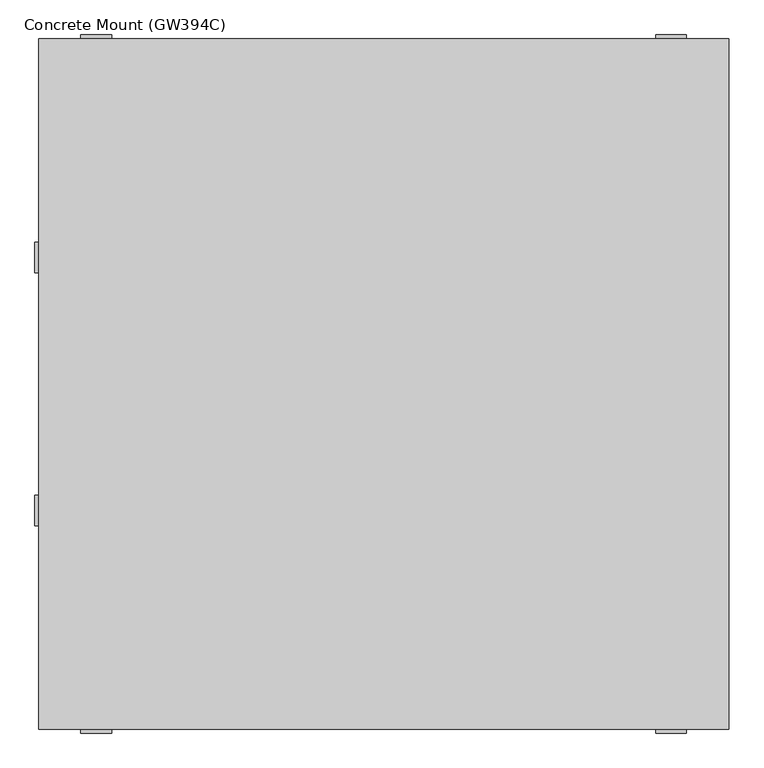
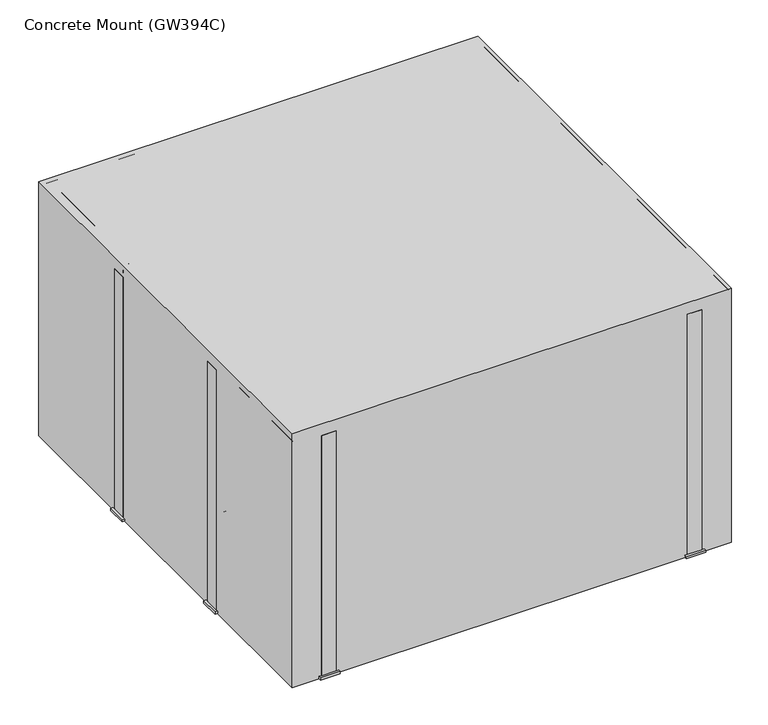
"""IFC4 building model written with IfcOpenShell, lengths in millimetres: railing geometry, Concrete Mount (GW394C)."""

import ifcopenshell
import ifcopenshell.guid

model = None  # the IFC model being written
_history = None  # IfcOwnerHistory: only IFC2X3 demands one
_inside = {}  # id of a spatial element -> (the spatial element, [elements in it])
_under = {}  # id of a project, library or spatial element -> (it, [spatial elements below it])
_declared = {}  # id of a project -> (the project, [libraries it declares])
_typed = {}  # id of a type object -> (the type object, [elements of that type])
_made_of = {}  # id of a material, layer set ... -> (it, [elements and type objects made of it])


def new_model(schema):
    """Start an empty IFC model of exactly this schema.

    Asked for "IFC4X3", IfcOpenShell would pick the latest addendum, in which some entities
    have other attributes; the version numbers below select the first issue.
    IFC2X3 requires an IfcOwnerHistory on every rooted entity: one is made here for all.
    """
    global model, _history
    if schema == "IFC4X3":
        model = ifcopenshell.file(schema_version=(4, 3, 0, 0))
    else:
        model = ifcopenshell.file(schema=schema)
    _inside.clear()
    _under.clear()
    _declared.clear()
    _typed.clear()
    _made_of.clear()
    _history = None
    if model.schema == "IFC2X3":
        org = make("IfcOrganization", Name="unknown")
        user = make(
            "IfcPersonAndOrganization",
            ThePerson=make("IfcPerson", FamilyName="unknown"),
            TheOrganization=org,
        )
        app = make(
            "IfcApplication",
            ApplicationDeveloper=org,
            Version="unknown",
            ApplicationFullName="unknown",
            ApplicationIdentifier="unknown",
        )
        _history = make(
            "IfcOwnerHistory",
            OwningUser=user,
            OwningApplication=app,
            ChangeAction="ADDED",
            CreationDate=0,
        )
    return model


def make(cls, **values):
    """One entity of the class cls with the attributes given. An attribute that is None is left unset."""
    return model.create_entity(
        cls, **{name: value for name, value in values.items() if value is not None}
    )


def rooted(cls, **values):
    """An entity with a GlobalId (a new one), such as an element, a storey or a relation."""
    return make(cls, GlobalId=ifcopenshell.guid.new(), OwnerHistory=_history, **values)


def si_unit(unit_type, name, prefix=None):
    """IfcSIUnit, for example si_unit("LENGTHUNIT", "METRE", prefix="MILLI")."""
    return make("IfcSIUnit", UnitType=unit_type, Prefix=prefix, Name=name)


def assignment(units):
    """IfcUnitAssignment: the units of a project."""
    return None if units is None else make("IfcUnitAssignment", Units=units)


def point(xyz):
    """IfcCartesianPoint."""
    return None if xyz is None else make("IfcCartesianPoint", Coordinates=xyz)


def direction(xyz):
    """IfcDirection."""
    return None if xyz is None else make("IfcDirection", DirectionRatios=xyz)


def frame(location, z_axis=None, x_axis=None):
    """IfcAxis2Placement3D, a coordinate frame: its origin and axes. An axis left out is left unset."""
    return make(
        "IfcAxis2Placement3D",
        Location=point(location),
        Axis=direction(z_axis),
        RefDirection=direction(x_axis),
    )


def origin():
    """The frame at (0, 0, 0) with its axes left unset."""
    return frame((0.0, 0.0, 0.0))


def origin_with_axes():
    """The frame at (0, 0, 0) with the z axis (0, 0, 1) and the x axis (1, 0, 0) written out."""
    return frame((0.0, 0.0, 0.0), z_axis=(0.0, 0.0, 1.0), x_axis=(1.0, 0.0, 0.0))


def place(relative_to, where):
    """IfcLocalPlacement: puts the frame where relative to a parent placement (None: the world)."""
    return make(
        "IfcLocalPlacement", PlacementRelTo=relative_to, RelativePlacement=where
    )


def context(
    kind, dimensions, precision=None, world=None, true_north=None, identifier=None
):
    """IfcGeometricRepresentationContext, for example the 3D "Model" context."""
    return make(
        "IfcGeometricRepresentationContext",
        ContextIdentifier=identifier,
        ContextType=kind,
        CoordinateSpaceDimension=dimensions,
        Precision=precision,
        WorldCoordinateSystem=world,
        TrueNorth=true_north,
    )


def project(units=None, contexts=None):
    """IfcProject with its units and contexts."""
    return rooted(
        "IfcProject",
        Name="project",
        RepresentationContexts=contexts,
        UnitsInContext=assignment(units),
    )


def spatial(cls, under=None, at=None, **own):
    """A site, building, storey or space (cls), placed at a placement, below another one or the project."""
    s = rooted(cls, ObjectPlacement=at, **own)
    if under is not None:
        _under.setdefault(under.id(), (under, []))[1].append(s)
    return s


def polyline(points):
    """IfcPolyline through the points."""
    return make("IfcPolyline", Points=[point(p) for p in points])


def circle_curve(where, radius):
    """IfcCircle in the frame where."""
    return make("IfcCircle", Position=where, Radius=radius)


def ellipse_curve(where, semi_axis1, semi_axis2):
    """IfcEllipse in the frame where."""
    return make(
        "IfcEllipse", Position=where, SemiAxis1=semi_axis1, SemiAxis2=semi_axis2
    )


def trimmed(basis, trim1, trim2, sense, master):
    """IfcTrimmedCurve: the piece of a basis curve between two trims."""
    return make(
        "IfcTrimmedCurve",
        BasisCurve=basis,
        Trim1=trim1,
        Trim2=trim2,
        SenseAgreement=sense,
        MasterRepresentation=master,
    )


def outline(outer, holes=None, kind="AREA"):
    """IfcArbitraryClosedProfileDef: a profile drawn as a closed curve; with holes, ...WithVoids."""
    if holes is None:
        return make("IfcArbitraryClosedProfileDef", ProfileType=kind, OuterCurve=outer)
    return make(
        "IfcArbitraryProfileDefWithVoids",
        ProfileType=kind,
        OuterCurve=outer,
        InnerCurves=holes,
    )


def extrude(swept, where, along, depth):
    """IfcExtrudedAreaSolid: the profile swept, set in the frame where, extruded along a direction by depth."""
    return make(
        "IfcExtrudedAreaSolid",
        SweptArea=swept,
        Position=where,
        ExtrudedDirection=direction(along),
        Depth=depth,
    )


def shape(context_of_items, identifier, shape_type, items):
    """IfcShapeRepresentation: the items that make up one representation, for example the "Body"."""
    return make(
        "IfcShapeRepresentation",
        ContextOfItems=context_of_items,
        RepresentationIdentifier=identifier,
        RepresentationType=shape_type,
        Items=items,
    )


def source(mapping_origin, context_of_items, identifier, shape_type, items):
    """IfcRepresentationMap: a shape defined once, which mapped items show again and again."""
    return make(
        "IfcRepresentationMap",
        MappingOrigin=mapping_origin,
        MappedRepresentation=shape(context_of_items, identifier, shape_type, items),
    )


def transform(
    local_origin,
    x_axis=None,
    y_axis=None,
    z_axis=None,
    scale=None,
    scale2=None,
    scale3=None,
    uniform=True,
):
    """IfcCartesianTransformationOperator3D, or its non-uniform kind. x_axis, y_axis, z_axis: its Axis1, 2, 3."""
    if uniform:
        return make(
            "IfcCartesianTransformationOperator3D",
            Axis1=direction(x_axis),
            Axis2=direction(y_axis),
            LocalOrigin=point(local_origin),
            Scale=scale,
            Axis3=direction(z_axis),
        )
    return make(
        "IfcCartesianTransformationOperator3DnonUniform",
        Axis1=direction(x_axis),
        Axis2=direction(y_axis),
        LocalOrigin=point(local_origin),
        Scale=scale,
        Axis3=direction(z_axis),
        Scale2=scale2,
        Scale3=scale3,
    )


def mapped(mapping_source, mapping_target):
    """IfcMappedItem: shows the shape of a source again, moved by a transform."""
    return make(
        "IfcMappedItem", MappingSource=mapping_source, MappingTarget=mapping_target
    )


def made_of(thing, what):
    """Note that an element or type object is made of a material, layer set ...; save() writes the relation."""
    if what is not None:
        _made_of.setdefault(what.id(), (what, []))[1].append(thing)
    return thing


def element(
    cls,
    number,
    at=None,
    inside=None,
    cuts=None,
    type_object=None,
    material=None,
    context=None,
    identifier="Body",
    shape_type=None,
    held_by="IfcProductDefinitionShape",
    body=None,
    shapes=None,
    **own,
):
    """One element of the class cls, such as IfcWall. Its Tag is "e" and its number.

    at: its placement. inside: the storey or other place that contains it. cuts: it is an
    opening in that element (IfcRelVoidsElement). A single representation is given by context,
    identifier, shape_type and body (its items); several are given by shapes. held_by: the class
    of the entity that holds the representations. save() writes the other relations.
    """
    e = rooted(cls, Tag="e%d" % number, ObjectPlacement=at, **own)
    if body is not None:
        shapes = [shape(context, identifier, shape_type, body)]
    if shapes is not None:
        e.Representation = make(held_by, Representations=shapes)
    if inside is not None:
        _inside.setdefault(inside.id(), (inside, []))[1].append(e)
    if cuts is not None:
        rooted(
            "IfcRelVoidsElement", RelatingBuildingElement=cuts, RelatedOpeningElement=e
        )
    if type_object is not None:
        _typed.setdefault(type_object.id(), (type_object, []))[1].append(e)
    return made_of(e, material)


def aggregate(whole, parts):
    """IfcRelAggregates: a whole, such as a stair, and the parts it consists of."""
    return rooted("IfcRelAggregates", RelatingObject=whole, RelatedObjects=parts)


def save(model, path):
    """Write the relations noted so far, then the file.

    IfcRelAggregates (storeys below a building ...), IfcRelContainedInSpatialStructure (elements
    in a storey), IfcRelDefinesByType, IfcRelAssociatesMaterial and IfcRelDeclares: one each for
    every whole, place, type object, material and project.
    """
    for whole, parts in _under.values():
        aggregate(whole, parts)
    for where, things in _inside.values():
        rooted(
            "IfcRelContainedInSpatialStructure",
            RelatedElements=things,
            RelatingStructure=where,
        )
    for kind, things in _typed.values():
        rooted("IfcRelDefinesByType", RelatedObjects=things, RelatingType=kind)
    for what, things in _made_of.values():
        rooted("IfcRelAssociatesMaterial", RelatedObjects=things, RelatingMaterial=what)
    for by, libraries in _declared.values():
        rooted("IfcRelDeclares", RelatingContext=by, RelatedDefinitions=libraries)
    model.write(path)


def plane_surface(at):
    """IfcPlane: the flat surface through the origin of the frame at, square to its z axis."""
    return make("IfcPlane", Position=at)


def cylinder_surface(at, radius):
    """IfcCylindricalSurface: all points at the distance radius from the z axis of the frame at."""
    return make("IfcCylindricalSurface", Position=at, Radius=radius)


def revolved_surface(curve, axis_point, axis_direction):
    """IfcSurfaceOfRevolution: the curve turned about the line through axis_point along axis_direction."""
    return make(
        "IfcSurfaceOfRevolution",
        SweptCurve=make("IfcArbitraryOpenProfileDef", ProfileType="CURVE", Curve=curve),
        AxisPosition=make("IfcAxis1Placement", Location=point(axis_point), Axis=direction(axis_direction)),
    )


def advanced_brep(points, edges, surfaces, faces):
    """IfcAdvancedBrep: a solid bounded by faces that lie on surfaces and meet in shared edges.

    An edge is (start, end): straight between two places in points (the first is 0);
    or (start, end, curve); or (start, end, curve, False) where it runs against its curve.
    A face is (place in surfaces, loops), or (place, loops, False) where it looks against
    its surface's normal. A loop lists edges by number (the first is 1), with a minus sign
    where the edge is run from its end to its start. The first loop is the outer one.
    """
    corners = [point(p) for p in points]
    vertices = [make("IfcVertexPoint", VertexGeometry=c) for c in corners]
    made = []
    for start, end, *more in edges:
        made.append(
            make(
                "IfcEdgeCurve",
                EdgeStart=vertices[start],
                EdgeEnd=vertices[end],
                EdgeGeometry=more[0] if more else make("IfcPolyline", Points=[corners[start], corners[end]]),
                SameSense=more[1] if len(more) > 1 else True,
            )
        )
    hull = []
    for where, loops, *sense in faces:
        bounds = []
        for j, loop in enumerate(loops):
            ring = [make("IfcOrientedEdge", EdgeElement=made[abs(k) - 1], Orientation=k > 0) for k in loop]
            bounds.append(
                make(
                    "IfcFaceOuterBound" if j == 0 else "IfcFaceBound",
                    Bound=make("IfcEdgeLoop", EdgeList=ring),
                    Orientation=True,
                )
            )
        hull.append(make("IfcAdvancedFace", Bounds=bounds, FaceSurface=surfaces[where], SameSense=sense[0] if sense else True))
    return make("IfcAdvancedBrep", Outer=make("IfcClosedShell", CfsFaces=hull))


def concrete_mount_gw394c_ce3642ec(model_context):
    return source(origin(), model_context, "Body", "SolidModel", [
        extrude(outline(polyline([(270.0, -1650.0), (350.0, -1650.0), (350.0, -1710.0), (270.0, -1710.0), (270.0, -1650.0)]), holes=[polyline([(280.0, -1660.0), (280.0, -1700.0), (340.0, -1700.0), (340.0, -1660.0), (280.0, -1660.0)])]), origin_with_axes(), (0.0, 0.0, 1.0), 10.0),
        extrude(outline(polyline([(280.0, -1660.0), (340.0, -1660.0), (340.0, -1700.0), (280.0, -1700.0), (280.0, -1660.0)])), origin_with_axes(), (0.0, 0.0, 1.0), 1050.0),
        extrude(outline(polyline([(-1150.0, -1650.0), (-1150.0, -1710.0), (-1230.0, -1710.0), (-1230.0, -1650.0), (-1150.0, -1650.0)]), holes=[polyline([(-1160.0, -1660.0), (-1220.0, -1660.0), (-1220.0, -1700.0), (-1160.0, -1700.0), (-1160.0, -1660.0)])]), origin_with_axes(), (0.0, 0.0, 1.0), 10.0),
        extrude(outline(polyline([(-1160.0, -1660.0), (-1160.0, -1700.0), (-1220.0, -1700.0), (-1220.0, -1660.0), (-1160.0, -1660.0)])), origin_with_axes(), (0.0, 0.0, 1.0), 1050.0),
        extrude(outline(polyline([(270.0, 50.0), (270.0, 110.0), (350.0, 110.0), (350.0, 50.0), (270.0, 50.0)]), holes=[polyline([(280.0, 60.0), (340.0, 60.0), (340.0, 100.0), (280.0, 100.0), (280.0, 60.0)])]), origin_with_axes(), (0.0, 0.0, 1.0), 10.0),
        extrude(outline(polyline([(280.0, 60.0), (280.0, 100.0), (340.0, 100.0), (340.0, 60.0), (280.0, 60.0)])), origin_with_axes(), (0.0, 0.0, 1.0), 1050.0),
        extrude(outline(polyline([(-1150.0, 50.0), (-1230.0, 50.0), (-1230.0, 110.0), (-1150.0, 110.0), (-1150.0, 50.0)]), holes=[polyline([(-1160.0, 60.0), (-1160.0, 100.0), (-1220.0, 100.0), (-1220.0, 60.0), (-1160.0, 60.0)])]), origin_with_axes(), (0.0, 0.0, 1.0), 10.0),
        extrude(outline(polyline([(-1160.0, 60.0), (-1220.0, 60.0), (-1220.0, 100.0), (-1160.0, 100.0), (-1160.0, 60.0)])), origin_with_axes(), (0.0, 0.0, 1.0), 1050.0),
        advanced_brep(
        [(-1300.0, -470.0, 905.0), (-1300.0, -470.0, 955.0), (-1250.0, -470.0, 955.0), (-1250.0, -470.0, 905.0), (-1150.0, -470.0, 855.0), (-1200.0, -470.0, 855.0), (-1150.0, -470.0, 505.0), (-1200.0, -470.0, 505.0), (-1250.0, -470.0, 405.0), (-1250.0, -470.0, 455.0), (-1300.0, -470.0, 455.0), (-1300.0, -470.0, 405.0)],
        [
            (0, 1, circle_curve(frame((-1300.0, -470.0, 930.0), z_axis=(-1.0, 0.0, 0.0), x_axis=(0.0, 0.0, 1.0)), 25.0)),
            (1, 0, circle_curve(frame((-1300.0, -470.0, 930.0), z_axis=(-1.0, 0.0, 0.0), x_axis=(0.0, 0.0, 1.0)), 25.0)),
            (1, 2),
            (2, 3, circle_curve(frame((-1250.0, -470.0, 930.0), z_axis=(-1.0, 0.0, 0.0), x_axis=(0.0, 0.0, 1.0)), 25.0)),
            (3, 0),
            (3, 2, circle_curve(frame((-1250.0, -470.0, 930.0), z_axis=(-1.0, 0.0, 0.0), x_axis=(0.0, 0.0, 1.0)), 25.0)),
            (4, 5, circle_curve(frame((-1175.0, -470.0, 855.0), z_axis=(0.0, 0.0, 1.0), x_axis=(1.0, 0.0, 0.0)), 25.0)),
            (5, 3, circle_curve(frame((-1250.0, -470.0, 855.0), z_axis=(0.0, -1.0, 0.0), x_axis=(0.0, 0.0, 1.0)), 50.0)),
            (2, 4, circle_curve(frame((-1250.0, -470.0, 855.0), z_axis=(0.0, 1.0, 0.0), x_axis=(0.0, 0.0, 1.0)), 100.0)),
            (5, 4, circle_curve(frame((-1175.0, -470.0, 855.0), z_axis=(0.0, 0.0, 1.0), x_axis=(1.0, 0.0, 0.0)), 25.0)),
            (4, 6),
            (6, 7, circle_curve(frame((-1175.0, -470.0, 505.0), z_axis=(0.0, 0.0, 1.0), x_axis=(1.0, 0.0, 0.0)), 25.0)),
            (7, 5),
            (7, 6, circle_curve(frame((-1175.0, -470.0, 505.0), z_axis=(0.0, 0.0, 1.0), x_axis=(1.0, 0.0, 0.0)), 25.0)),
            (8, 9, circle_curve(frame((-1250.0, -470.0, 430.0), z_axis=(1.0, 0.0, 0.0), x_axis=(0.0, 0.0, -1.0)), 25.0)),
            (9, 7, circle_curve(frame((-1250.0, -470.0, 505.0), z_axis=(0.0, -1.0, 0.0), x_axis=(1.0, 0.0, 0.0)), 50.0)),
            (6, 8, circle_curve(frame((-1250.0, -470.0, 505.0), z_axis=(0.0, 1.0, 0.0), x_axis=(1.0, 0.0, 0.0)), 100.0)),
            (9, 8, circle_curve(frame((-1250.0, -470.0, 430.0), z_axis=(1.0, 0.0, 0.0), x_axis=(0.0, 0.0, -1.0)), 25.0)),
            (10, 11, circle_curve(frame((-1300.0, -470.0, 430.0), z_axis=(-1.0, 0.0, 0.0), x_axis=(0.0, 0.0, -1.0)), 25.0)),
            (11, 10, circle_curve(frame((-1300.0, -470.0, 430.0), z_axis=(-1.0, 0.0, 0.0), x_axis=(0.0, 0.0, -1.0)), 25.0)),
            (8, 11),
            (10, 9),
        ],
        [
            plane_surface(frame((-1300.0, -470.0, 930.0), z_axis=(-1.0, 0.0, 0.0), x_axis=(0.0, 1.0, 0.0))),
            cylinder_surface(frame((-1300.0, -470.0, 930.0), z_axis=(-1.0, 0.0, 0.0), x_axis=(0.0, 0.0, 1.0)), 25.0),
            revolved_surface(trimmed(ellipse_curve(frame((-1250.0, -470.0, 930.0), z_axis=(1.0, 0.0, 0.0), x_axis=(0.0, 0.0, 1.0)), 25.0, 25.0), [point((-1250.0, -470.0, 905.0))], [point((-1250.0, -470.0, 955.0))], True, "CARTESIAN"), (-1250.0, -470.0, 855.0), (0.0, -1.0, 0.0)),
            revolved_surface(trimmed(ellipse_curve(frame((-1250.0, -470.0, 930.0), z_axis=(1.0, 0.0, 0.0), x_axis=(0.0, 0.0, 1.0)), 25.0, 25.0), [point((-1250.0, -470.0, 955.0))], [point((-1250.0, -470.0, 905.0))], True, "CARTESIAN"), (-1250.0, -470.0, 855.0), (0.0, -1.0, 0.0)),
            cylinder_surface(frame((-1175.0, -470.0, 855.0), z_axis=(0.0, 0.0, 1.0), x_axis=(1.0, 0.0, 0.0)), 25.0),
            revolved_surface(trimmed(ellipse_curve(frame((-1175.0, -470.0, 505.0), z_axis=(0.0, 0.0, -1.0), x_axis=(1.0, 0.0, 0.0)), 25.0, 25.0), [point((-1200.0, -470.0, 505.0))], [point((-1150.0, -470.0, 505.0))], True, "CARTESIAN"), (-1250.0, -470.0, 505.0), (0.0, -1.0, 0.0)),
            revolved_surface(trimmed(ellipse_curve(frame((-1175.0, -470.0, 505.0), z_axis=(0.0, 0.0, -1.0), x_axis=(1.0, 0.0, 0.0)), 25.0, 25.0), [point((-1150.0, -470.0, 505.0))], [point((-1200.0, -470.0, 505.0))], True, "CARTESIAN"), (-1250.0, -470.0, 505.0), (0.0, -1.0, 0.0)),
            plane_surface(frame((-1300.0, -470.0, 430.0), z_axis=(-1.0, 0.0, 0.0), x_axis=(0.0, 1.0, 0.0))),
            cylinder_surface(frame((-1250.0, -470.0, 430.0), z_axis=(1.0, 0.0, 0.0), x_axis=(0.0, 0.0, -1.0)), 25.0),
        ],
        [
            (0, [[1, 2]]),
            (1, [[3, 4, 5, -2]]),
            (1, [[-5, 6, -3, -1]]),
            (2, [[7, 8, -4, 9]]),
            (3, [[10, -9, -6, -8]]),
            (4, [[11, 12, 13, -7]]),
            (4, [[-13, 14, -11, -10]]),
            (5, [[15, 16, -12, 17]]),
            (6, [[18, -17, -14, -16]]),
            (7, [[19, 20]]),
            (8, [[21, -19, 22, -15]]),
            (8, [[-22, -20, -21, -18]]),
        ],
    ),
        extrude(outline(polyline([(-1290.0, -430.0), (-1290.0, -510.0), (-1350.0, -510.0), (-1350.0, -430.0), (-1290.0, -430.0)]), holes=[polyline([(-1300.0, -440.0), (-1340.0, -440.0), (-1340.0, -500.0), (-1300.0, -500.0), (-1300.0, -440.0)])]), origin_with_axes(), (0.0, 0.0, 1.0), 10.0),
        extrude(outline(polyline([(-1300.0, -440.0), (-1300.0, -500.0), (-1340.0, -500.0), (-1340.0, -440.0), (-1300.0, -440.0)])), origin_with_axes(), (0.0, 0.0, 1.0), 1050.0),
        advanced_brep(
        [(-1300.0, -1130.0, 905.0), (-1300.0, -1130.0, 955.0), (-1250.0, -1130.0, 905.0), (-1250.0, -1130.0, 955.0), (-1150.0, -1130.0, 855.0), (-1200.0, -1130.0, 855.0), (-1200.0, -1130.0, 505.0), (-1150.0, -1130.0, 505.0), (-1250.0, -1130.0, 405.0), (-1250.0, -1130.0, 455.0), (-1300.0, -1130.0, 455.0), (-1300.0, -1130.0, 405.0)],
        [
            (0, 1, circle_curve(frame((-1300.0, -1130.0, 930.0), z_axis=(-1.0, 0.0, 0.0), x_axis=(0.0, 0.0, 1.0)), 25.0)),
            (1, 0, circle_curve(frame((-1300.0, -1130.0, 930.0), z_axis=(-1.0, 0.0, 0.0), x_axis=(0.0, 0.0, 1.0)), 25.0)),
            (0, 2),
            (2, 3, circle_curve(frame((-1250.0, -1130.0, 930.0), z_axis=(-1.0, 0.0, 0.0), x_axis=(0.0, 0.0, 1.0)), 25.0)),
            (3, 1),
            (3, 2, circle_curve(frame((-1250.0, -1130.0, 930.0), z_axis=(-1.0, 0.0, 0.0), x_axis=(0.0, 0.0, 1.0)), 25.0)),
            (4, 3, circle_curve(frame((-1250.0, -1130.0, 855.0), z_axis=(0.0, -1.0, 0.0), x_axis=(0.0, 0.0, 1.0)), 100.0)),
            (2, 5, circle_curve(frame((-1250.0, -1130.0, 855.0), z_axis=(0.0, 1.0, 0.0), x_axis=(0.0, 0.0, 1.0)), 50.0)),
            (5, 4, circle_curve(frame((-1175.0, -1130.0, 855.0), z_axis=(0.0, 0.0, 1.0), x_axis=(1.0, 0.0, 0.0)), 25.0)),
            (4, 5, circle_curve(frame((-1175.0, -1130.0, 855.0), z_axis=(0.0, 0.0, 1.0), x_axis=(1.0, 0.0, 0.0)), 25.0)),
            (5, 6),
            (6, 7, circle_curve(frame((-1175.0, -1130.0, 505.0), z_axis=(0.0, 0.0, 1.0), x_axis=(1.0, 0.0, 0.0)), 25.0)),
            (7, 4),
            (7, 6, circle_curve(frame((-1175.0, -1130.0, 505.0), z_axis=(0.0, 0.0, 1.0), x_axis=(1.0, 0.0, 0.0)), 25.0)),
            (8, 7, circle_curve(frame((-1250.0, -1130.0, 505.0), z_axis=(0.0, -1.0, 0.0), x_axis=(1.0, 0.0, 0.0)), 100.0)),
            (6, 9, circle_curve(frame((-1250.0, -1130.0, 505.0), z_axis=(0.0, 1.0, 0.0), x_axis=(1.0, 0.0, 0.0)), 50.0)),
            (9, 8, circle_curve(frame((-1250.0, -1130.0, 430.0), z_axis=(1.0, 0.0, 0.0), x_axis=(0.0, 0.0, -1.0)), 25.0)),
            (8, 9, circle_curve(frame((-1250.0, -1130.0, 430.0), z_axis=(1.0, 0.0, 0.0), x_axis=(0.0, 0.0, -1.0)), 25.0)),
            (10, 11, circle_curve(frame((-1300.0, -1130.0, 430.0), z_axis=(-1.0, 0.0, 0.0), x_axis=(0.0, 0.0, -1.0)), 25.0)),
            (11, 10, circle_curve(frame((-1300.0, -1130.0, 430.0), z_axis=(-1.0, 0.0, 0.0), x_axis=(0.0, 0.0, -1.0)), 25.0)),
            (9, 10),
            (11, 8),
        ],
        [
            plane_surface(frame((-1300.0, -1130.0, 930.0), z_axis=(-1.0, 0.0, 0.0), x_axis=(0.0, -1.0, 0.0))),
            cylinder_surface(frame((-1300.0, -1130.0, 930.0), z_axis=(-1.0, 0.0, 0.0), x_axis=(0.0, 0.0, 1.0)), 25.0),
            revolved_surface(trimmed(ellipse_curve(frame((-1250.0, -1130.0, 930.0), z_axis=(-1.0, 0.0, 0.0), x_axis=(0.0, 0.0, 1.0)), 25.0, 25.0), [point((-1250.0, -1130.0, 905.0))], [point((-1250.0, -1130.0, 955.0))], True, "CARTESIAN"), (-1250.0, -1130.0, 855.0), (0.0, 1.0, 0.0)),
            revolved_surface(trimmed(ellipse_curve(frame((-1250.0, -1130.0, 930.0), z_axis=(-1.0, 0.0, 0.0), x_axis=(0.0, 0.0, 1.0)), 25.0, 25.0), [point((-1250.0, -1130.0, 955.0))], [point((-1250.0, -1130.0, 905.0))], True, "CARTESIAN"), (-1250.0, -1130.0, 855.0), (0.0, 1.0, 0.0)),
            cylinder_surface(frame((-1175.0, -1130.0, 855.0), z_axis=(0.0, 0.0, 1.0), x_axis=(1.0, 0.0, 0.0)), 25.0),
            revolved_surface(trimmed(ellipse_curve(frame((-1175.0, -1130.0, 505.0), z_axis=(0.0, 0.0, 1.0), x_axis=(1.0, 0.0, 0.0)), 25.0, 25.0), [point((-1200.0, -1130.0, 505.0))], [point((-1150.0, -1130.0, 505.0))], True, "CARTESIAN"), (-1250.0, -1130.0, 505.0), (0.0, 1.0, 0.0)),
            revolved_surface(trimmed(ellipse_curve(frame((-1175.0, -1130.0, 505.0), z_axis=(0.0, 0.0, 1.0), x_axis=(1.0, 0.0, 0.0)), 25.0, 25.0), [point((-1150.0, -1130.0, 505.0))], [point((-1200.0, -1130.0, 505.0))], True, "CARTESIAN"), (-1250.0, -1130.0, 505.0), (0.0, 1.0, 0.0)),
            plane_surface(frame((-1300.0, -1130.0, 430.0), z_axis=(-1.0, 0.0, 0.0), x_axis=(0.0, -1.0, 0.0))),
            cylinder_surface(frame((-1250.0, -1130.0, 430.0), z_axis=(1.0, 0.0, 0.0), x_axis=(0.0, 0.0, -1.0)), 25.0),
        ],
        [
            (0, [[1, 2]]),
            (1, [[-1, 3, 4, 5]]),
            (1, [[-2, -5, 6, -3]]),
            (2, [[7, -4, 8, 9]]),
            (3, [[-8, -6, -7, 10]]),
            (4, [[-9, 11, 12, 13]]),
            (4, [[-10, -13, 14, -11]]),
            (5, [[15, -12, 16, 17]]),
            (6, [[-16, -14, -15, 18]]),
            (7, [[19, 20]]),
            (8, [[-17, 21, -20, 22]]),
            (8, [[-18, -22, -19, -21]]),
        ],
    ),
        extrude(outline(polyline([(-1290.0, -1170.0), (-1350.0, -1170.0), (-1350.0, -1090.0), (-1290.0, -1090.0), (-1290.0, -1170.0)]), holes=[polyline([(-1300.0, -1160.0), (-1300.0, -1100.0), (-1340.0, -1100.0), (-1340.0, -1160.0), (-1300.0, -1160.0)])]), origin_with_axes(), (0.0, 0.0, 1.0), 10.0),
        extrude(outline(polyline([(-1300.0, -1160.0), (-1340.0, -1160.0), (-1340.0, -1100.0), (-1300.0, -1100.0), (-1300.0, -1160.0)])), origin_with_axes(), (0.0, 0.0, 1.0), 1050.0),
        extrude(outline(polyline([(-1340.0, 100.0), (460.0, 100.0), (460.0, -1700.0), (-1340.0, -1700.0), (-1340.0, 100.0)])), origin_with_axes(), (0.0, 0.0, 1.0), 1100.0),
        advanced_brep(
        [(-1300.0, -1100.0, 550.0), (-1260.0, -1100.0, 550.0), (-1300.0, -500.0, 550.0), (-1260.0, -500.0, 550.0), (-1300.0, -1660.0, 550.0), (-1260.0, -1620.0, 550.0), (420.0, -1660.0, 550.0), (380.0, -1620.0, 550.0), (420.0, 60.0, 550.0), (380.0, 20.0, 550.0), (-1300.0, 60.0, 550.0), (-1260.0, 20.0, 550.0)],
        [
            (0, 1, circle_curve(frame((-1280.0, -1100.0, 550.0), z_axis=(0.0, 1.0, 0.0), x_axis=(1.0, 0.0, 0.0)), 20.0)),
            (1, 0, circle_curve(frame((-1280.0, -1100.0, 550.0), z_axis=(0.0, 1.0, 0.0), x_axis=(1.0, 0.0, 0.0)), 20.0)),
            (2, 3, circle_curve(frame((-1280.0, -500.0, 550.0), z_axis=(0.0, -1.0, 0.0), x_axis=(1.0, 0.0, 0.0)), 20.0)),
            (3, 2, circle_curve(frame((-1280.0, -500.0, 550.0), z_axis=(0.0, -1.0, 0.0), x_axis=(1.0, 0.0, 0.0)), 20.0)),
            (0, 4),
            (4, 5, ellipse_curve(frame((-1280.0, -1640.0, 550.0), z_axis=(-0.7071067811865475, 0.7071067811865475, 0.0), x_axis=(0.7071067811865474, 0.7071067811865476, 0.0)), 28.2842712, 20.0)),
            (5, 1),
            (5, 4, ellipse_curve(frame((-1280.0, -1640.0, 550.0), z_axis=(-0.7071067811865475, 0.7071067811865475, 0.0), x_axis=(0.7071067811865474, 0.7071067811865476, 0.0)), 28.2842712, 20.0)),
            (4, 6),
            (6, 7, ellipse_curve(frame((400.0, -1640.0, 550.0), z_axis=(-0.7071067811865475, -0.7071067811865475, 0.0), x_axis=(-0.7071067811865476, 0.7071067811865474, 0.0)), 28.2842712, 20.0)),
            (7, 5),
            (7, 6, ellipse_curve(frame((400.0, -1640.0, 550.0), z_axis=(-0.7071067811865475, -0.7071067811865475, 0.0), x_axis=(-0.7071067811865476, 0.7071067811865474, 0.0)), 28.2842712, 20.0)),
            (6, 8),
            (8, 9, ellipse_curve(frame((400.0, 40.0, 550.0), z_axis=(0.7071067811865475, -0.7071067811865475, 0.0), x_axis=(-0.7071067811865474, -0.7071067811865476, 0.0)), 28.2842712, 20.0)),
            (9, 7),
            (9, 8, ellipse_curve(frame((400.0, 40.0, 550.0), z_axis=(0.7071067811865475, -0.7071067811865475, 0.0), x_axis=(-0.7071067811865474, -0.7071067811865476, 0.0)), 28.2842712, 20.0)),
            (8, 10),
            (10, 11, ellipse_curve(frame((-1280.0, 40.0, 550.0), z_axis=(0.7071067811865475, 0.7071067811865475, 0.0), x_axis=(0.7071067811865476, -0.7071067811865474, 0.0)), 28.2842712, 20.0)),
            (11, 9),
            (11, 10, ellipse_curve(frame((-1280.0, 40.0, 550.0), z_axis=(0.7071067811865475, 0.7071067811865475, 0.0), x_axis=(0.7071067811865476, -0.7071067811865474, 0.0)), 28.2842712, 20.0)),
            (10, 2),
            (3, 11),
        ],
        [
            plane_surface(frame((-1300.0, -1100.0, 550.0), z_axis=(0.0, 1.0, 0.0), x_axis=(0.0, 0.0, 1.0))),
            plane_surface(frame((-1300.0, -500.0, 550.0), z_axis=(0.0, -1.0, 0.0), x_axis=(0.0, 0.0, 1.0))),
            cylinder_surface(frame((-1280.0, -1100.0, 550.0), z_axis=(0.0, 1.0, 0.0), x_axis=(1.0, 0.0, 0.0)), 20.0),
            cylinder_surface(frame((-1300.0, -1640.0, 550.0), z_axis=(-1.0, 0.0, 0.0), x_axis=(0.0, 1.0, 0.0)), 20.0),
            cylinder_surface(frame((400.0, -1660.0, 550.0), z_axis=(0.0, -1.0, 0.0), x_axis=(-1.0, 0.0, 0.0)), 20.0),
            cylinder_surface(frame((420.0, 40.0, 550.0), z_axis=(1.0, 0.0, 0.0), x_axis=(0.0, -1.0, 0.0)), 20.0),
            cylinder_surface(frame((-1280.0, 60.0, 550.0), z_axis=(0.0, 1.0, 0.0), x_axis=(1.0, 0.0, 0.0)), 20.0),
        ],
        [
            (0, [[1, 2]]),
            (1, [[3, 4]]),
            (2, [[-1, 5, 6, 7]]),
            (2, [[-2, -7, 8, -5]]),
            (3, [[-6, 9, 10, 11]]),
            (3, [[-8, -11, 12, -9]]),
            (4, [[-10, 13, 14, 15]]),
            (4, [[-12, -15, 16, -13]]),
            (5, [[-14, 17, 18, 19]]),
            (5, [[-16, -19, 20, -17]]),
            (6, [[-18, 21, -4, 22]]),
            (6, [[-20, -22, -3, -21]]),
        ],
    ),
        advanced_brep(
        [(-1340.0, -1100.0, 1075.0), (-1290.0, -1100.0, 1075.0), (-1340.0, -1700.0, 1075.0), (-1290.0, -1650.0, 1075.0), (460.0, -1700.0, 1075.0), (410.0, -1650.0, 1075.0), (460.0, 100.0, 1075.0), (410.0, 50.0, 1075.0), (-1340.0, 100.0, 1075.0), (-1290.0, 50.0, 1075.0), (-1340.0, -500.0, 1075.0), (-1290.0, -500.0, 1075.0)],
        [
            (0, 1, circle_curve(frame((-1315.0, -1100.0, 1075.0), z_axis=(0.0, 1.0, 0.0), x_axis=(1.0, 0.0, 0.0)), 25.0)),
            (1, 0, circle_curve(frame((-1315.0, -1100.0, 1075.0), z_axis=(0.0, 1.0, 0.0), x_axis=(1.0, 0.0, 0.0)), 25.0)),
            (0, 2),
            (2, 3, ellipse_curve(frame((-1315.0, -1675.0, 1075.0), z_axis=(-0.7071067811865475, 0.7071067811865475, 0.0), x_axis=(0.7071067811865474, 0.7071067811865476, 0.0)), 35.3553391, 25.0)),
            (3, 1),
            (3, 2, ellipse_curve(frame((-1315.0, -1675.0, 1075.0), z_axis=(-0.7071067811865475, 0.7071067811865475, 0.0), x_axis=(0.7071067811865474, 0.7071067811865476, 0.0)), 35.3553391, 25.0)),
            (2, 4),
            (4, 5, ellipse_curve(frame((435.0, -1675.0, 1075.0), z_axis=(-0.7071067811865475, -0.7071067811865475, 0.0), x_axis=(-0.7071067811865476, 0.7071067811865474, 0.0)), 35.3553391, 25.0)),
            (5, 3),
            (5, 4, ellipse_curve(frame((435.0, -1675.0, 1075.0), z_axis=(-0.7071067811865475, -0.7071067811865475, 0.0), x_axis=(-0.7071067811865476, 0.7071067811865474, 0.0)), 35.3553391, 25.0)),
            (4, 6),
            (6, 7, ellipse_curve(frame((435.0, 75.0, 1075.0), z_axis=(0.7071067811865475, -0.7071067811865475, 0.0), x_axis=(-0.7071067811865474, -0.7071067811865476, 0.0)), 35.3553391, 25.0)),
            (7, 5),
            (7, 6, ellipse_curve(frame((435.0, 75.0, 1075.0), z_axis=(0.7071067811865475, -0.7071067811865475, 0.0), x_axis=(-0.7071067811865474, -0.7071067811865476, 0.0)), 35.3553391, 25.0)),
            (6, 8),
            (8, 9, ellipse_curve(frame((-1315.0, 75.0, 1075.0), z_axis=(0.7071067811865475, 0.7071067811865475, 0.0), x_axis=(0.7071067811865476, -0.7071067811865474, 0.0)), 35.3553391, 25.0)),
            (9, 7),
            (9, 8, ellipse_curve(frame((-1315.0, 75.0, 1075.0), z_axis=(0.7071067811865475, 0.7071067811865475, 0.0), x_axis=(0.7071067811865476, -0.7071067811865474, 0.0)), 35.3553391, 25.0)),
            (10, 11, circle_curve(frame((-1315.0, -500.0, 1075.0), z_axis=(0.0, -1.0, 0.0), x_axis=(1.0, 0.0, 0.0)), 25.0)),
            (11, 10, circle_curve(frame((-1315.0, -500.0, 1075.0), z_axis=(0.0, -1.0, 0.0), x_axis=(1.0, 0.0, 0.0)), 25.0)),
            (8, 10),
            (11, 9),
        ],
        [
            plane_surface(frame((-1340.0, -1100.0, 1100.0), z_axis=(0.0, 1.0, 0.0), x_axis=(0.0, 0.0, 1.0))),
            cylinder_surface(frame((-1315.0, -1100.0, 1075.0), z_axis=(0.0, 1.0, 0.0), x_axis=(1.0, 0.0, 0.0)), 25.0),
            cylinder_surface(frame((-1340.0, -1675.0, 1075.0), z_axis=(-1.0, 0.0, 0.0), x_axis=(0.0, 1.0, 0.0)), 25.0),
            cylinder_surface(frame((435.0, -1700.0, 1075.0), z_axis=(0.0, -1.0, 0.0), x_axis=(-1.0, 0.0, 0.0)), 25.0),
            cylinder_surface(frame((460.0, 75.0, 1075.0), z_axis=(1.0, 0.0, 0.0), x_axis=(0.0, -1.0, 0.0)), 25.0),
            plane_surface(frame((-1340.0, -500.0, 1100.0), z_axis=(0.0, -1.0, 0.0), x_axis=(0.0, 0.0, 1.0))),
            cylinder_surface(frame((-1315.0, 100.0, 1075.0), z_axis=(0.0, 1.0, 0.0), x_axis=(1.0, 0.0, 0.0)), 25.0),
        ],
        [
            (0, [[1, 2]]),
            (1, [[-1, 3, 4, 5]]),
            (1, [[-2, -5, 6, -3]]),
            (2, [[-4, 7, 8, 9]]),
            (2, [[-6, -9, 10, -7]]),
            (3, [[-8, 11, 12, 13]]),
            (3, [[-10, -13, 14, -11]]),
            (4, [[-12, 15, 16, 17]]),
            (4, [[-14, -17, 18, -15]]),
            (5, [[19, 20]]),
            (6, [[-16, 21, -20, 22]]),
            (6, [[-18, -22, -19, -21]]),
        ],
    ),
    ])


if __name__ == "__main__":
    model = new_model("IFC4")
    model_context = context("Model", 3, world=origin())
    ifc_project = project(units=[si_unit("LENGTHUNIT", "METRE", prefix="MILLI")], contexts=[model_context])
    site = spatial("IfcSite", under=ifc_project)
    building = spatial("IfcBuilding", under=site)
    placement = place(None, origin())
    concrete_mount_gw394c_shape = concrete_mount_gw394c_ce3642ec(model_context)
    element("IfcRailing", 1, ObjectType="Concrete Mount (GW394C)", at=placement, inside=building, context=model_context, shape_type="MappedRepresentation", body=[
        mapped(concrete_mount_gw394c_shape, transform((0.0, 0.0, 0.0), x_axis=(1.0, 0.0, 0.0), y_axis=(0.0, 1.0, 0.0), z_axis=(0.0, 0.0, 1.0))),
    ])
    save(model, "model.ifc")
